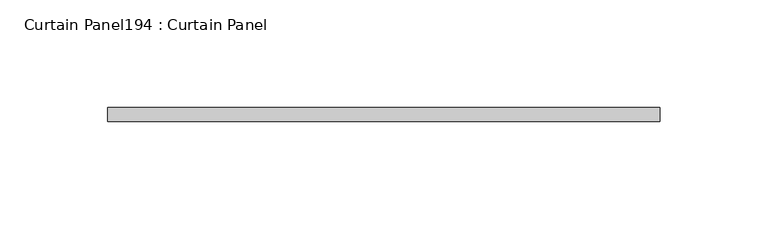
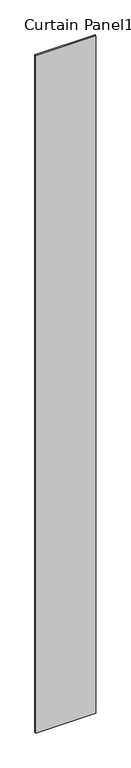
"""IFC4 building model written with IfcOpenShell, lengths in millimetres: plate geometry, Curtain Panel194 : Curtain Panel."""

from ifc_helpers import new_model, si_unit, frame, origin, place, context, project, spatial, polyline, outline, extrude, source, transform, mapped, element, save


def curtain_panel194_curtain_panel_ef80370a(model_context):
    return source(origin(), model_context, "Body", "SweptSolid", [
        extrude(outline(polyline([(600301.2405457, 2949.0995813), (600045.1189525, 2949.0995813), (600045.1189525, 2955.4495813), (600301.2405457, 2955.4495813), (600301.2405457, 2949.0995813)])), frame((0.0, 0.0, 4959.7989371), z_axis=(0.0, 0.0, 1.0), x_axis=(1.0, 0.0, 0.0)), (0.0, 0.0, 1.0), 3048.0),
    ])


if __name__ == "__main__":
    model = new_model("IFC4")
    model_context = context("Model", 3, world=origin())
    ifc_project = project(units=[si_unit("LENGTHUNIT", "METRE", prefix="MILLI")], contexts=[model_context])
    site = spatial("IfcSite", under=ifc_project)
    building = spatial("IfcBuilding", under=site)
    placement = place(None, origin())
    curtain_panel194_curtain_panel_shape = curtain_panel194_curtain_panel_ef80370a(model_context)
    element("IfcPlate", 1, ObjectType="Curtain Panel194 : Curtain Panel", at=placement, inside=building, context=model_context, shape_type="MappedRepresentation", body=[
        mapped(curtain_panel194_curtain_panel_shape, transform((0.0, 0.0, 0.0), x_axis=(1.0, 0.0, 0.0), y_axis=(0.0, 1.0, 0.0), z_axis=(0.0, 0.0, 1.0))),
    ])
    save(model, "model.ifc")
